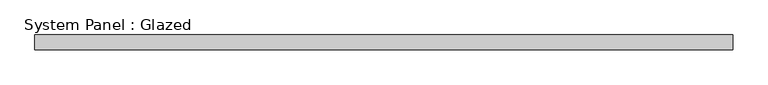
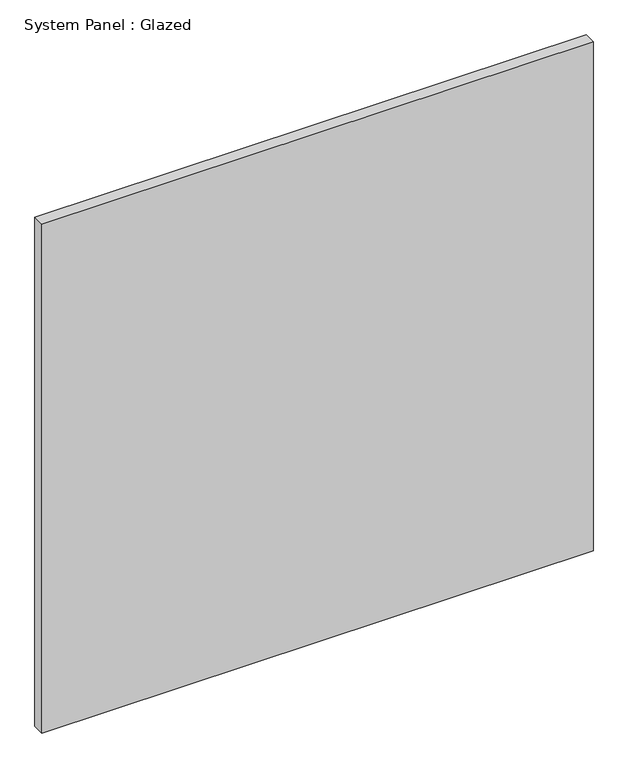
"""IFC4 building model written with IfcOpenShell, lengths in millimetres: plate geometry, System Panel : Glazed."""

from ifc_helpers import new_model, si_unit, origin, origin_with_axes, place, context, project, spatial, polyline, outline, extrude, source, transform, mapped, element, save


def system_panel_glazed_678b4af9(model_context):
    return source(origin(), model_context, "Body", "SweptSolid", [
        extrude(outline(polyline([(592.1243315, -12.7), (-592.1243315, -12.7), (-592.1243315, 12.7), (592.1243315, 12.7), (592.1243315, -12.7)])), origin_with_axes(), (0.0, 0.0, 1.0), 1155.5872452),
    ])


if __name__ == "__main__":
    model = new_model("IFC4")
    model_context = context("Model", 3, world=origin())
    ifc_project = project(units=[si_unit("LENGTHUNIT", "METRE", prefix="MILLI")], contexts=[model_context])
    site = spatial("IfcSite", under=ifc_project)
    building = spatial("IfcBuilding", under=site)
    placement = place(None, origin())
    system_panel_glazed_shape = system_panel_glazed_678b4af9(model_context)
    element("IfcPlate", 1, ObjectType="System Panel : Glazed", at=placement, inside=building, context=model_context, shape_type="MappedRepresentation", body=[
        mapped(system_panel_glazed_shape, transform((0.0, 0.0, 0.0), x_axis=(1.0, 0.0, 0.0), y_axis=(0.0, 1.0, 0.0), z_axis=(0.0, 0.0, 1.0))),
    ])
    save(model, "model.ifc")
